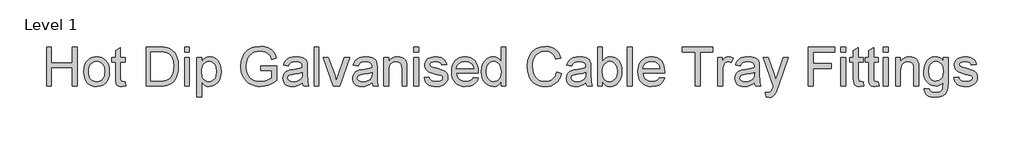
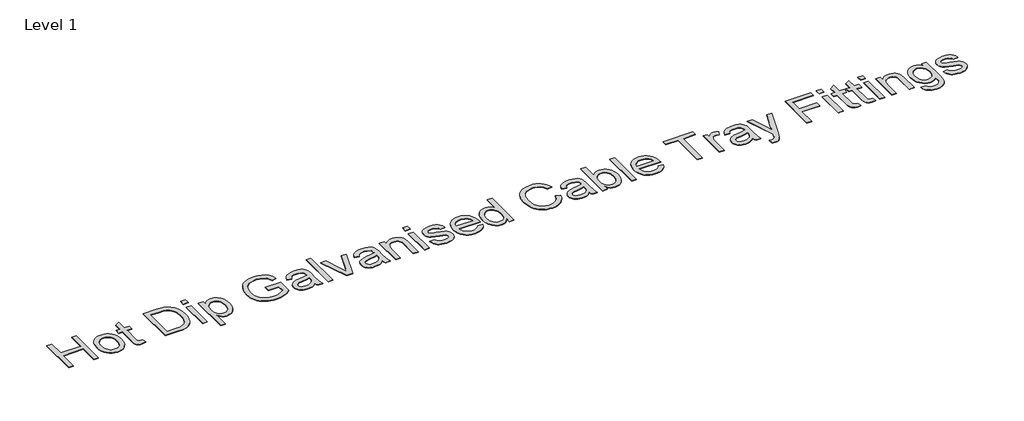
# One storey, part 12 of 15: 1 proxy.
"""IFC4 building model written with IfcOpenShell, lengths in millimetres."""

from ifc_helpers import new_model, si_unit, origin, origin_with_axes, place, context, project, spatial, polyline, outline, extrude, element, save

model = new_model("IFC4")

# Units and contexts
model_context = context("Model", 3, world=origin())
ifc_project = project(units=[si_unit("LENGTHUNIT", "METRE", prefix="MILLI")], contexts=[model_context])

# Site, building, storey
site = spatial("IfcSite", under=ifc_project)
building = spatial("IfcBuilding", under=site)
storey = spatial("IfcBuildingStorey", under=building, Name="Level 1", Elevation=0.0)

# Proxy
placement = place(None, origin())
element("IfcBuildingElementProxy", 1, Name="400mm", ObjectType="400mm", at=placement, inside=storey, context=model_context, shape_type="SweptSolid", body=[
    extrude(outline(polyline([(-12107.7580589, -27477.287492), (-12107.7580589, -27085.5299162), (-12058.788362, -27085.5299162), (-12058.788362, -27244.6814314), (-11850.6671498, -27244.6814314), (-11850.6671498, -27085.5299162), (-11801.6974529, -27085.5299162), (-11801.6974529, -27477.287492), (-11850.6671498, -27477.287492), (-11850.6671498, -27293.6511283), (-12058.788362, -27293.6511283), (-12058.788362, -27477.287492), (-12107.7580589, -27477.287492)])), origin_with_axes(), (0.0, 0.0, 1.0), 5.0),
    extrude(outline(polyline([(-11734.3641195, -27333.4390071), (-11731.715978, -27296.179715), (-11723.7715532, -27264.0732401), (-11710.5308454, -27237.1195824), (-11691.9938544, -27215.318742), (-11673.3313307, -27201.3846155), (-11652.7320173, -27191.4316681), (-11630.195914, -27185.4598996), (-11605.723021, -27183.4693101), (-11578.706597, -27185.8932862), (-11554.2785371, -27193.1652145), (-11532.4388414, -27205.2850949), (-11513.1875097, -27222.2529276), (-11497.4750038, -27243.4948487), (-11486.2517853, -27268.4369948), (-11479.5178541, -27297.0793658), (-11477.2732104, -27329.4219617), (-11481.2424339, -27378.8937893), (-11493.1501044, -27416.5535904), (-11512.6495125, -27444.7565971), (-11539.3939491, -27465.8580412), (-11571.1596924, -27479.0210384), (-11605.723021, -27483.4087041), (-11633.1339763, -27480.9936946), (-11657.7891906, -27473.7486662), (-11679.6886638, -27461.6736189), (-11698.832396, -27444.7685526), (-11714.3775251, -27423.3203992), (-11725.4811887, -27397.6160904), (-11732.1433868, -27367.6556264), (-11734.3641195, -27333.4390071)]), holes=[polyline([(-11685.3944226, -27333.3433632), (-11683.9776967, -27357.0959378), (-11679.7275192, -27377.6623736), (-11672.6438899, -27395.0426707), (-11662.7268089, -27409.2368291), (-11650.6637171, -27420.262782), (-11637.1420551, -27428.1384626), (-11622.1618231, -27432.863871), (-11605.723021, -27434.4390071), (-11589.3679074, -27432.8549044), (-11574.4474529, -27428.1025961), (-11560.9616574, -27420.1820824), (-11548.910521, -27409.0933632), (-11538.9934401, -27394.7587278), (-11531.9098108, -27377.1004654), (-11527.6596333, -27356.1185762), (-11526.2429074, -27331.8130601), (-11527.6685999, -27308.8136816), (-11531.9456773, -27288.7852429), (-11539.0741397, -27271.7277441), (-11549.053987, -27257.6411851), (-11561.1499564, -27246.6152323), (-11574.6267853, -27238.7395516), (-11589.4844735, -27234.0141432), (-11605.723021, -27232.4390071), (-11622.1618231, -27234.0081655), (-11637.1420551, -27238.7156406), (-11650.6637171, -27246.5614325), (-11662.7268089, -27257.5455412), (-11672.6438899, -27271.6978554), (-11679.7275192, -27289.0482637), (-11683.9776967, -27309.5967663), (-11685.3944226, -27333.3433632)])]), origin_with_axes(), (0.0, 0.0, 1.0), 5.0),
    extrude(outline(polyline([(-11318.1216953, -27436.4475298), (-11312.0004832, -27478.7221511), (-11348.632112, -27483.4087041), (-11372.1366101, -27481.3762704), (-11389.663362, -27475.2789692), (-11402.0492521, -27465.8819522), (-11410.131165, -27453.9503708), (-11414.5786082, -27433.4586567), (-11416.0610892, -27398.381242), (-11416.0610892, -27238.5602192), (-11452.788362, -27238.5602192), (-11452.788362, -27189.5905223), (-11416.0610892, -27189.5905223), (-11416.0610892, -27119.6748026), (-11367.0913923, -27090.8859768), (-11367.0913923, -27189.5905223), (-11318.1216953, -27189.5905223), (-11318.1216953, -27238.5602192), (-11367.0913923, -27238.5602192), (-11367.0913923, -27396.9465829), (-11364.5090059, -27422.1965829), (-11356.1401612, -27431.1392912), (-11339.4502938, -27434.4390071), (-11318.1216953, -27436.4475298)])), origin_with_axes(), (0.0, 0.0, 1.0), 5.0),
    extrude(outline(polyline([(-11110.0004832, -27477.287492), (-11110.0004832, -27085.5299162), (-10974.8555968, -27085.5299162), (-10934.4699434, -27086.9406643), (-10904.9398771, -27091.1729086), (-10873.7121309, -27102.0524067), (-10847.3622256, -27119.1965829), (-10820.2710798, -27149.037492), (-10800.974915, -27186.1473404), (-10789.4259093, -27229.8087988), (-10785.5762407, -27279.3045374), (-10788.1825381, -27321.3520043), (-10796.0014301, -27358.3542533), (-10807.9091006, -27389.8569759), (-10822.7817332, -27415.4058632), (-10839.9019983, -27435.5747789), (-10858.5525665, -27450.9375867), (-10879.9648534, -27462.3311709), (-10905.3702748, -27470.5924162), (-10934.8166527, -27475.613723), (-10968.3518089, -27477.287492), (-11110.0004832, -27477.287492)]), holes=[polyline([(-11061.0307862, -27428.317795), (-10974.3773771, -27428.317795), (-10938.5348108, -27426.5483821), (-10911.348021, -27421.2401435), (-10890.832396, -27412.7039219), (-10875.0033241, -27401.2505601), (-10857.9906584, -27380.0534721), (-10845.210237, -27352.615617), (-10837.2120125, -27318.8174399), (-10834.5459377, -27278.5393859), (-10839.7704879, -27225.1700677), (-10846.3011756, -27203.7219143), (-10855.4441385, -27185.7647647), (-10878.6019273, -27158.6975298), (-10906.2788923, -27142.3424162), (-10934.4460324, -27136.4603139), (-10975.7163923, -27134.4996132), (-11061.0307862, -27134.4996132), (-11061.0307862, -27428.317795)])]), origin_with_axes(), (0.0, 0.0, 1.0), 5.0),
    extrude(outline(polyline([(-10724.3641195, -27134.4996132), (-10724.3641195, -27085.5299162), (-10675.3944226, -27085.5299162), (-10675.3944226, -27134.4996132), (-10724.3641195, -27134.4996132)])), origin_with_axes(), (0.0, 0.0, 1.0), 5.0),
    extrude(outline(polyline([(-10724.3641195, -27477.287492), (-10724.3641195, -27189.5905223), (-10675.3944226, -27189.5905223), (-10675.3944226, -27477.287492), (-10724.3641195, -27477.287492)])), origin_with_axes(), (0.0, 0.0, 1.0), 5.0),
    extrude(outline(polyline([(-10601.9398771, -27587.4693101), (-10601.9398771, -27189.5905223), (-10552.9701801, -27189.5905223), (-10552.9701801, -27237.6037798), (-10536.9976423, -27213.9199494), (-10519.1122256, -27197.0029276), (-10498.2618468, -27186.8527145), (-10473.3944226, -27183.4693101), (-10440.2777085, -27188.2036851), (-10411.3215059, -27202.4068101), (-10387.7452748, -27225.2178897), (-10370.7684756, -27255.7761283), (-10360.5106631, -27291.8578045), (-10357.0913923, -27331.2391965), (-10360.9530163, -27373.1192865), (-10372.5378885, -27410.5758442), (-10391.4753885, -27441.7079465), (-10417.394896, -27464.61467), (-10447.5825144, -27478.7101956), (-10479.3243468, -27483.4087041), (-10501.836539, -27480.2644096), (-10521.9337218, -27470.8315261), (-10539.1376754, -27456.5925346), (-10552.9701801, -27439.0299162), (-10552.9701801, -27587.4693101), (-10601.9398771, -27587.4693101)]), holes=[polyline([(-10552.9701801, -27335.7344617), (-10547.673897, -27379.6350298), (-10541.0535431, -27396.6357401), (-10531.7850476, -27410.3367344), (-10508.3403269, -27428.4134389), (-10494.9232755, -27432.9326151), (-10480.3764301, -27434.4390071), (-10465.6203636, -27432.8788154), (-10451.9582246, -27428.1982401), (-10427.9157294, -27409.4759389), (-10418.3543243, -27395.2787917), (-10411.5247493, -27377.6504181), (-10406.0610892, -27332.099992), (-10411.3932389, -27288.4385336), (-10418.0584259, -27271.306313), (-10427.3896877, -27257.3064314), (-10450.7985419, -27238.6558632), (-10464.0631607, -27233.9932211), (-10478.3679074, -27232.4390071), (-10492.627821, -27234.0918539), (-10506.0448724, -27239.0503944), (-10530.3503885, -27258.8845564), (-10540.2465473, -27273.6047564), (-10547.3152322, -27291.3198073), (-10551.5564432, -27312.0297091), (-10552.9701801, -27335.7344617)])]), origin_with_axes(), (0.0, 0.0, 1.0), 5.0),
    extrude(outline(polyline([(-9959.2126044, -27324.2571889), (-9959.2126044, -27275.287492), (-9800.0610892, -27275.287492), (-9800.0610892, -27421.7183632), (-9838.7371072, -27448.6182211), (-9878.6325854, -27467.9143859), (-9919.6518799, -27479.5351245), (-9961.6993468, -27483.4087041), (-9989.8276316, -27481.8694344), (-10016.6348345, -27477.2516255), (-10042.1209555, -27469.5552772), (-10066.2859945, -27458.7803897), (-10088.3498558, -27445.088362), (-10107.5324434, -27428.6405933), (-10123.8337573, -27409.4370836), (-10137.2537976, -27387.4778329), (-10147.7357755, -27363.4652263), (-10155.2229027, -27338.1016492), (-10161.2126044, -27283.3215829), (-10155.2468137, -27228.1469853), (-10137.3494415, -27176.8220564), (-10124.1117225, -27153.7091006), (-10108.2617284, -27133.7703281), (-10089.7994593, -27117.0057389), (-10068.724915, -27103.4153329), (-10045.4953932, -27092.9124328), (-10020.5681915, -27085.4103613), (-9965.6207483, -27079.4087041), (-9925.2829169, -27082.8877524), (-9889.0099529, -27093.3248973), (-9858.4636697, -27109.9669427), (-9835.3058809, -27132.0606927), (-9818.1736603, -27160.6701861), (-9805.7040817, -27196.8594617), (-9850.848021, -27209.5801056), (-9860.9265012, -27183.7681975), (-9873.1808809, -27164.2927003), (-9889.3925286, -27149.6113556), (-9911.3428127, -27138.1819048), (-9937.5133856, -27130.829277), (-9966.3858998, -27128.3784011), (-10000.1840769, -27131.0205649), (-10029.0805021, -27138.9470564), (-10052.967576, -27151.1655696), (-10071.7376991, -27166.6837988), (-10086.1440674, -27184.7007259), (-10096.9398771, -27204.4153329), (-10108.4171498, -27241.3817154), (-10112.2429074, -27281.3130601), (-10107.6400428, -27328.142724), (-10093.8314491, -27366.6752761), (-10071.2355684, -27396.6357401), (-10040.270843, -27417.7491397), (-10004.0337455, -27430.2665403), (-9965.6207483, -27434.4390071), (-9931.7030163, -27431.2947126), (-9898.6221688, -27421.8618291), (-9869.8931205, -27408.8662088), (-9849.0307862, -27395.0337041), (-9849.0307862, -27324.2571889), (-9959.2126044, -27324.2571889)])), origin_with_axes(), (0.0, 0.0, 1.0), 5.0),
    extrude(outline(polyline([(-9542.9701801, -27440.5602192), (-9566.3670788, -27460.6215355), (-9590.457396, -27473.7486662), (-9615.7910845, -27480.9936946), (-9642.9180968, -27483.4087041), (-9664.7219261, -27481.9561118), (-9683.8417474, -27477.5983348), (-9700.2775606, -27470.3353731), (-9714.0293657, -27460.1672268), (-9724.8879417, -27447.7394924), (-9732.6440674, -27433.6977666), (-9737.2977429, -27418.0420493), (-9738.848968, -27400.7723404), (-9736.5056915, -27380.4719143), (-9729.475862, -27362.036545), (-9718.6322303, -27346.255295), (-9704.8475476, -27333.9172268), (-9670.5591953, -27317.849045), (-9628.1889301, -27310.4844617), (-9578.1193279, -27302.7373026), (-9543.257112, -27293.6511283), (-9542.9701801, -27282.7477192), (-9546.341629, -27260.8930791), (-9556.4559756, -27246.5943101), (-9579.0757673, -27235.9778329), (-9610.5904453, -27232.4390071), (-9639.7618468, -27234.7942391), (-9660.1340059, -27241.8599351), (-9674.0262881, -27254.9272884), (-9683.7580589, -27275.287492), (-9732.7277559, -27269.1662798), (-9724.2274008, -27242.3859768), (-9711.5426233, -27221.3443101), (-9693.4898298, -27205.2522173), (-9668.8854264, -27193.3206359), (-9638.7934519, -27185.9321416), (-9604.2779453, -27183.4693101), (-9571.1731868, -27185.6452098), (-9544.9308809, -27192.1729086), (-9525.1445409, -27201.9883679), (-9511.4076801, -27214.0275488), (-9502.2975949, -27228.9121369), (-9496.3915817, -27247.2638177), (-9494.0004832, -27290.1123026), (-9494.0004832, -27351.037492), (-9491.5137407, -27436.1127761), (-9481.7580589, -27477.287492), (-9530.7277559, -27477.287492), (-9538.5705589, -27460.2628708), (-9542.9701801, -27440.5602192)]), holes=[polyline([(-9542.9701801, -27342.6208253), (-9575.8716953, -27350.7744711), (-9621.9720741, -27357.6369238), (-9664.1032294, -27365.5753708), (-9675.0664159, -27371.0031643), (-9683.1841953, -27378.4873026), (-9688.2055021, -27387.4539219), (-9689.879271, -27397.3291586), (-9686.2328459, -27411.8909484), (-9675.2935703, -27423.8225298), (-9657.3005542, -27431.7848878), (-9632.4929074, -27434.4390071), (-9606.1908241, -27431.5099115), (-9582.9493468, -27422.7226245), (-9564.1074907, -27409.7748262), (-9551.004271, -27394.3641965), (-9545.1939017, -27378.4873026), (-9543.257112, -27356.4891965), (-9542.9701801, -27342.6208253)])]), origin_with_axes(), (0.0, 0.0, 1.0), 5.0),
    extrude(outline(polyline([(-9426.6671498, -27477.287492), (-9426.6671498, -27085.5299162), (-9377.6974529, -27085.5299162), (-9377.6974529, -27477.287492), (-9426.6671498, -27477.287492)])), origin_with_axes(), (0.0, 0.0, 1.0), 5.0),
    extrude(outline(polyline([(-9233.6576801, -27477.287492), (-9334.848968, -27189.5905223), (-9283.0099529, -27189.5905223), (-9221.7021877, -27361.9409011), (-9203.2429074, -27419.9011283), (-9185.1662029, -27365.192795), (-9123.475862, -27189.5905223), (-9071.6368468, -27189.5905223), (-9171.5847635, -27477.287492), (-9233.6576801, -27477.287492)])), origin_with_axes(), (0.0, 0.0, 1.0), 5.0),
    extrude(outline(polyline([(-8845.1519983, -27440.5602192), (-8868.548897, -27460.6215355), (-8892.6392142, -27473.7486662), (-8917.9729027, -27480.9936946), (-8945.099915, -27483.4087041), (-8966.9037443, -27481.9561118), (-8986.0235656, -27477.5983348), (-9002.4593788, -27470.3353731), (-9016.2111839, -27460.1672268), (-9027.0697599, -27447.7394924), (-9034.8258856, -27433.6977666), (-9039.4795611, -27418.0420493), (-9041.0307862, -27400.7723404), (-9038.6875097, -27380.4719143), (-9031.6576801, -27362.036545), (-9020.8140485, -27346.255295), (-9007.0293657, -27333.9172268), (-8972.7410135, -27317.849045), (-8930.3707483, -27310.4844617), (-8880.301146, -27302.7373026), (-8845.4389301, -27293.6511283), (-8845.1519983, -27282.7477192), (-8848.5234472, -27260.8930791), (-8858.6377938, -27246.5943101), (-8881.2575854, -27235.9778329), (-8912.7722635, -27232.4390071), (-8941.943665, -27234.7942391), (-8962.3158241, -27241.8599351), (-8976.2081063, -27254.9272884), (-8985.9398771, -27275.287492), (-9034.9095741, -27269.1662798), (-9026.409219, -27242.3859768), (-9013.7244415, -27221.3443101), (-8995.6716479, -27205.2522173), (-8971.0672445, -27193.3206359), (-8940.9752701, -27185.9321416), (-8906.4597635, -27183.4693101), (-8873.3550049, -27185.6452098), (-8847.1126991, -27192.1729086), (-8827.3263591, -27201.9883679), (-8813.5894983, -27214.0275488), (-8804.4794131, -27228.9121369), (-8798.5733998, -27247.2638177), (-8796.1823014, -27290.1123026), (-8796.1823014, -27351.037492), (-8793.6955589, -27436.1127761), (-8783.9398771, -27477.287492), (-8832.9095741, -27477.287492), (-8840.7523771, -27460.2628708), (-8845.1519983, -27440.5602192)]), holes=[polyline([(-8845.1519983, -27342.6208253), (-8878.0535135, -27350.7744711), (-8924.1538923, -27357.6369238), (-8966.2850476, -27365.5753708), (-8977.2482341, -27371.0031643), (-8985.3660135, -27378.4873026), (-8990.3873203, -27387.4539219), (-8992.0610892, -27397.3291586), (-8988.414664, -27411.8909484), (-8977.4753885, -27423.8225298), (-8959.4823724, -27431.7848878), (-8934.6747256, -27434.4390071), (-8908.3726423, -27431.5099115), (-8885.131165, -27422.7226245), (-8866.2893089, -27409.7748262), (-8853.1860892, -27394.3641965), (-8847.3757199, -27378.4873026), (-8845.4389301, -27356.4891965), (-8845.1519983, -27342.6208253)])]), origin_with_axes(), (0.0, 0.0, 1.0), 5.0),
    extrude(outline(polyline([(-8728.848968, -27477.287492), (-8728.848968, -27189.5905223), (-8679.879271, -27189.5905223), (-8679.879271, -27229.7609768), (-8662.8666053, -27209.5083726), (-8642.4346688, -27195.0422268), (-8618.5834614, -27186.3625393), (-8591.3129832, -27183.4693101), (-8567.174844, -27185.8006312), (-8545.0691385, -27192.7945942), (-8526.6337692, -27203.5784484), (-8513.5066385, -27217.2794427), (-8504.5997966, -27233.8617107), (-8498.8252938, -27253.2893859), (-8496.2429074, -27300.6331359), (-8496.2429074, -27477.287492), (-8545.2126044, -27477.287492), (-8545.2126044, -27307.2325677), (-8546.6233525, -27281.9108348), (-8550.8555968, -27263.9058632), (-8558.6625334, -27251.0058869), (-8570.7973582, -27240.9991397), (-8586.3514538, -27234.5790403), (-8604.4162029, -27232.4390071), (-8633.0974292, -27237.2451151), (-8657.5464112, -27251.6634389), (-8667.3170374, -27263.4336212), (-8674.2960561, -27279.5197363), (-8678.4834673, -27299.9217841), (-8679.879271, -27324.6397647), (-8679.879271, -27477.287492), (-8728.848968, -27477.287492)])), origin_with_axes(), (0.0, 0.0, 1.0), 5.0),
    extrude(outline(polyline([(-8428.9095741, -27477.287492), (-8428.9095741, -27189.5905223), (-8379.9398771, -27189.5905223), (-8379.9398771, -27477.287492), (-8428.9095741, -27477.287492)])), origin_with_axes(), (0.0, 0.0, 1.0), 5.0),
    extrude(outline(polyline([(-8428.9095741, -27134.4996132), (-8428.9095741, -27085.5299162), (-8379.9398771, -27085.5299162), (-8379.9398771, -27134.4996132), (-8428.9095741, -27134.4996132)])), origin_with_axes(), (0.0, 0.0, 1.0), 5.0),
    extrude(outline(polyline([(-8324.848968, -27391.5905223), (-8275.879271, -27385.4693101), (-8268.1560229, -27406.4153329), (-8253.2116574, -27421.8140071), (-8230.9505305, -27431.2827571), (-8201.2769983, -27434.4390071), (-8171.9621309, -27431.5457779), (-8151.350862, -27422.8660904), (-8139.1562597, -27410.2889124), (-8135.0913923, -27395.7032117), (-8139.1801707, -27383.2216776), (-8151.4465059, -27373.7051056), (-8201.850862, -27359.7410904), (-8275.5923392, -27335.7822836), (-8294.2548629, -27323.7431028), (-8307.7765248, -27307.8064314), (-8315.9899481, -27288.9884863), (-8318.7277559, -27268.3054844), (-8316.5279453, -27249.3321179), (-8309.9285135, -27231.8173215), (-8299.5272351, -27216.4545137), (-8285.9218847, -27203.9371132), (-8254.7897824, -27189.4470564), (-8212.6586271, -27183.4693101), (-8180.7852843, -27185.8723641), (-8153.0724529, -27193.0815261), (-8130.787415, -27204.3914219), (-8115.1974529, -27219.0966776), (-8104.8679074, -27238.2852429), (-8098.3641195, -27263.0450677), (-8147.3338165, -27269.1662798), (-8153.5148061, -27253.7556501), (-8165.7452748, -27242.146867), (-8184.1447777, -27234.8659721), (-8208.8328695, -27232.4390071), (-8236.9521877, -27234.7583726), (-8255.6983998, -27241.7164692), (-8266.2431442, -27251.7590829), (-8269.7580589, -27263.3319995), (-8263.9237786, -27277.5829465), (-8245.6557862, -27288.3907117), (-8203.4768089, -27298.8159011), (-8131.6003885, -27321.8660904), (-8112.6150665, -27332.8890545), (-8098.2206536, -27347.9768859), (-8089.1464349, -27367.1774067), (-8086.1216953, -27390.5384389), (-8089.6724765, -27414.6885336), (-8100.3248203, -27437.4039692), (-8117.6722398, -27456.9033774), (-8141.3082483, -27471.4053897), (-8169.8579642, -27480.4078755), (-8201.9465059, -27483.4087041), (-8228.3023889, -27481.9620895), (-8251.3226896, -27477.6222458), (-8271.0074079, -27470.3891728), (-8287.3565438, -27460.2628708), (-8300.7108288, -27447.2911615), (-8311.4109945, -27431.521867), (-8319.4570409, -27412.9549872), (-8324.848968, -27391.5905223)])), origin_with_axes(), (0.0, 0.0, 1.0), 5.0),
    extrude(outline(polyline([(-7829.6046498, -27391.5905223), (-7781.5913923, -27397.7117344), (-7788.9529867, -27416.942144), (-7798.8909898, -27433.8890545), (-7811.4054015, -27448.5524659), (-7826.4962218, -27460.9323783), (-7844.0080293, -27470.7657708), (-7863.7854027, -27477.7896226), (-7910.1368468, -27483.4087041), (-7940.5217308, -27480.984728), (-7967.5949434, -27473.7127997), (-7991.3564846, -27461.5929193), (-8011.8063544, -27444.6250867), (-8028.2511342, -27423.2815438), (-8039.9974055, -27398.0345327), (-8047.0451683, -27368.8840533), (-8049.3944226, -27335.8301056), (-8047.0212573, -27301.6553305), (-8039.9017616, -27271.5334673), (-8028.0359353, -27245.4645161), (-8011.4237786, -27223.4484768), (-7991.0277085, -27205.9575914), (-7967.8101423, -27193.4641018), (-7941.7710798, -27185.9680081), (-7912.910521, -27183.4693101), (-7884.9795019, -27185.9620303), (-7859.7205353, -27193.4401908), (-7837.1336212, -27205.9037917), (-7817.2187597, -27223.3528329), (-7800.9622789, -27245.3210502), (-7789.3505068, -27271.3421795), (-7782.3834436, -27301.4162207), (-7780.0610892, -27335.5431738), (-7780.348021, -27348.7420374), (-8000.4247256, -27348.7420374), (-7997.588285, -27368.2832898), (-7991.9482815, -27385.3975772), (-7983.5047149, -27400.0848996), (-7972.2575854, -27412.3452571), (-7943.8393799, -27428.9155696), (-7909.1804074, -27434.4390071), (-7883.1174339, -27431.8805317), (-7861.1671498, -27424.2051056), (-7843.3295551, -27410.934509), (-7829.6046498, -27391.5905223)]), holes=[polyline([(-8000.4247256, -27299.7723404), (-7829.0307862, -27299.7723404), (-7835.654129, -27273.9006548), (-7848.6377938, -27255.3935526), (-7861.9920788, -27245.3509389), (-7877.1875097, -27238.1776435), (-7913.1018089, -27232.4390071), (-7946.1109235, -27237.0179607), (-7973.4053127, -27250.7548215), (-7992.3786792, -27272.1671084), (-8000.4247256, -27299.7723404)])]), origin_with_axes(), (0.0, 0.0, 1.0), 5.0),
    extrude(outline(polyline([(-7553.5762407, -27477.287492), (-7553.5762407, -27431.0914692), (-7568.2276967, -27453.9802595), (-7585.9756252, -27470.3293954), (-7606.8200263, -27480.1388769), (-7630.7608998, -27483.4087041), (-7662.4190438, -27478.6743291), (-7691.3991574, -27464.4712041), (-7715.9318279, -27441.791635), (-7734.2476423, -27411.6279276), (-7745.653182, -27375.1995422), (-7749.4550286, -27333.7259389), (-7745.9520693, -27292.7664219), (-7735.4431915, -27255.7761283), (-7717.9403506, -27224.8592249), (-7693.4555021, -27202.1198783), (-7663.8417474, -27188.1319522), (-7630.9521877, -27183.4693101), (-7606.9933809, -27186.8048925), (-7585.8082483, -27196.8116397), (-7567.8510987, -27212.1505365), (-7553.5762407, -27231.4825677), (-7553.5762407, -27085.5299162), (-7504.6065438, -27085.5299162), (-7504.6065438, -27477.287492), (-7553.5762407, -27477.287492)]), holes=[polyline([(-7700.4853317, -27333.5346511), (-7694.9618942, -27377.8297505), (-7688.0575973, -27395.1801589), (-7678.3915817, -27409.332473), (-7654.3132199, -27428.1623736), (-7640.7855802, -27432.8698487), (-7626.2656347, -27434.4390071), (-7598.2300049, -27428.4493054), (-7574.7613733, -27410.4802003), (-7565.4928778, -27396.919683), (-7558.8725239, -27380.196938), (-7553.5762407, -27337.2647647), (-7558.9681678, -27290.3275014), (-7565.7080767, -27272.2567746), (-7575.1439491, -27257.7846511), (-7586.5524777, -27246.6959318), (-7599.2103553, -27238.7754181), (-7613.1175819, -27234.0231099), (-7628.2741574, -27232.4390071), (-7643.0810348, -27233.9603435), (-7656.6086745, -27238.5243528), (-7668.8570764, -27246.1310348), (-7679.8262407, -27256.7803897), (-7688.864593, -27270.7055495), (-7695.3205589, -27288.1396463), (-7700.4853317, -27333.5346511)])]), origin_with_axes(), (0.0, 0.0, 1.0), 5.0),
    extrude(outline(polyline([(-6996.5459377, -27338.0299162), (-6947.5762407, -27350.6549162), (-6957.2661674, -27381.1085443), (-6970.1721214, -27407.7184815), (-6986.294103, -27430.484728), (-7005.632112, -27449.4072836), (-7027.7497729, -27464.2829051), (-7052.2107104, -27474.908349), (-7079.0149245, -27481.2836153), (-7108.162415, -27483.4087041), (-7138.0242462, -27481.8006904), (-7164.9629595, -27476.9766492), (-7188.9785549, -27468.9365805), (-7210.0710324, -27457.6804844), (-7228.5303127, -27443.3757377), (-7244.6463165, -27426.1897173), (-7258.4190438, -27406.1224233), (-7269.8484945, -27383.1738556), (-7285.2352133, -27332.6021226), (-7290.3641195, -27278.443742), (-7284.5657057, -27221.3203992), (-7277.3176884, -27195.6818457), (-7267.1704642, -27171.9920374), (-7254.3511875, -27150.6425168), (-7239.0870125, -27132.0248262), (-7221.3779394, -27116.1389657), (-7201.223968, -27102.9849351), (-7156.3191385, -27085.3027619), (-7107.1103317, -27079.4087041), (-7079.1016018, -27081.3156051), (-7053.4182152, -27087.0363083), (-7030.0601719, -27096.5708135), (-7009.0274718, -27109.9191208), (-6990.6668243, -27126.7285431), (-6975.3249387, -27146.6463935), (-6963.0018148, -27169.6726719), (-6953.6974529, -27195.8073783), (-7002.6671498, -27207.4759389), (-7019.6439491, -27171.7648831), (-7042.8376044, -27147.2680791), (-7072.5350476, -27133.1008206), (-7109.0232104, -27128.3784011), (-7151.0826328, -27133.6149067), (-7185.6340059, -27149.3244238), (-7211.8524008, -27173.8570942), (-7228.9128885, -27205.5630601), (-7238.274039, -27241.4056264), (-7241.3944226, -27278.348098), (-7237.7001754, -27323.5876814), (-7226.6174339, -27362.7060526), (-7207.7277559, -27394.2087751), (-7180.6126991, -27416.6014124), (-7148.1057152, -27429.9796084), (-7113.0402559, -27434.4390071), (-7091.7505128, -27432.9206596), (-7072.1644273, -27428.365617), (-7054.2819995, -27420.7738793), (-7038.1032294, -27410.1454465), (-7024.0106927, -27396.5281406), (-7012.3869652, -27379.9697836), (-7003.2320469, -27360.4703755), (-6996.5459377, -27338.0299162)])), origin_with_axes(), (0.0, 0.0, 1.0), 5.0),
    extrude(outline(polyline([(-6702.7277559, -27440.5602192), (-6726.1246546, -27460.6215355), (-6750.2149718, -27473.7486662), (-6775.5486603, -27480.9936946), (-6802.6756726, -27483.4087041), (-6824.4795019, -27481.9561118), (-6843.5993231, -27477.5983348), (-6860.0351363, -27470.3353731), (-6873.7869415, -27460.1672268), (-6884.6455175, -27447.7394924), (-6892.4016432, -27433.6977666), (-6897.0553186, -27418.0420493), (-6898.6065438, -27400.7723404), (-6896.2632673, -27380.4719143), (-6889.2334377, -27362.036545), (-6878.3898061, -27346.255295), (-6864.6051233, -27333.9172268), (-6830.316771, -27317.849045), (-6787.9465059, -27310.4844617), (-6737.8769036, -27302.7373026), (-6703.0146877, -27293.6511283), (-6702.7277559, -27282.7477192), (-6706.0992048, -27260.8930791), (-6716.2135514, -27246.5943101), (-6738.833343, -27235.9778329), (-6770.348021, -27232.4390071), (-6799.5194226, -27234.7942391), (-6819.8915817, -27241.8599351), (-6833.7838639, -27254.9272884), (-6843.5156347, -27275.287492), (-6892.4853317, -27269.1662798), (-6883.9849765, -27242.3859768), (-6871.3001991, -27221.3443101), (-6853.2474055, -27205.2522173), (-6828.6430021, -27193.3206359), (-6798.5510277, -27185.9321416), (-6764.035521, -27183.4693101), (-6730.9307625, -27185.6452098), (-6704.6884567, -27192.1729086), (-6684.9021167, -27201.9883679), (-6671.1652559, -27214.0275488), (-6662.0551707, -27228.9121369), (-6656.1491574, -27247.2638177), (-6653.7580589, -27290.1123026), (-6653.7580589, -27351.037492), (-6651.2713165, -27436.1127761), (-6641.5156347, -27477.287492), (-6690.4853317, -27477.287492), (-6698.3281347, -27460.2628708), (-6702.7277559, -27440.5602192)]), holes=[polyline([(-6702.7277559, -27342.6208253), (-6735.629271, -27350.7744711), (-6781.7296498, -27357.6369238), (-6823.8608051, -27365.5753708), (-6834.8239917, -27371.0031643), (-6842.941771, -27378.4873026), (-6847.9630779, -27387.4539219), (-6849.6368468, -27397.3291586), (-6845.9904216, -27411.8909484), (-6835.051146, -27423.8225298), (-6817.0581299, -27431.7848878), (-6792.2504832, -27434.4390071), (-6765.9483998, -27431.5099115), (-6742.7069226, -27422.7226245), (-6723.8650665, -27409.7748262), (-6710.7618468, -27394.3641965), (-6704.9514775, -27378.4873026), (-6703.0146877, -27356.4891965), (-6702.7277559, -27342.6208253)])]), origin_with_axes(), (0.0, 0.0, 1.0), 5.0),
    extrude(outline(polyline([(-6537.4550286, -27477.287492), (-6586.4247256, -27477.287492), (-6586.4247256, -27085.5299162), (-6537.4550286, -27085.5299162), (-6537.4550286, -27230.8130601), (-6521.3509803, -27210.1001695), (-6503.1666764, -27195.3052476), (-6482.9021167, -27186.4282945), (-6460.5573014, -27183.4693101), (-6435.3312123, -27186.135385), (-6411.4919604, -27194.1336094), (-6390.4024718, -27206.9618528), (-6373.4256726, -27224.1179844), (-6360.1192095, -27245.4346274), (-6350.0407294, -27270.7444048), (-6343.6923629, -27298.9952334), (-6341.5762407, -27329.1350298), (-6343.7670847, -27363.9135573), (-6350.3396167, -27394.5076624), (-6361.2938366, -27420.9173452), (-6376.6297445, -27443.1426056), (-6395.038214, -27460.7590237), (-6415.2101186, -27473.3421795), (-6437.1454583, -27480.8920729), (-6460.8442332, -27483.4087041), (-6483.9243113, -27480.1627879), (-6504.3861366, -27470.4250393), (-6522.229709, -27454.1954583), (-6537.4550286, -27431.474045), (-6537.4550286, -27477.287492)]), holes=[polyline([(-6537.4550286, -27331.4304844), (-6534.1074907, -27372.2704465), (-6524.0648771, -27399.911545), (-6512.1990509, -27415.0173097), (-6498.4083904, -27425.8071416), (-6482.6928956, -27432.2810407), (-6465.0525665, -27434.4390071), (-6450.4070883, -27432.8489266), (-6436.7897824, -27428.0786851), (-6412.6396877, -27408.9977192), (-6402.9736721, -27394.7168835), (-6396.0693752, -27377.3156643), (-6390.5459377, -27333.1520753), (-6395.8422209, -27288.3428897), (-6402.4625748, -27270.9954702), (-6411.7310703, -27257.0194995), (-6435.127969, -27238.5841302), (-6448.4852429, -27233.9752879), (-6462.9483998, -27232.4390071), (-6477.5938781, -27234.0290876), (-6491.2111839, -27238.7993291), (-6515.3612786, -27257.880295), (-6525.0272942, -27272.0176648), (-6531.9315911, -27288.9884863), (-6537.4550286, -27331.4304844)])]), origin_with_axes(), (0.0, 0.0, 1.0), 5.0),
    extrude(outline(polyline([(-6286.4853317, -27477.287492), (-6286.4853317, -27085.5299162), (-6237.5156347, -27085.5299162), (-6237.5156347, -27477.287492), (-6286.4853317, -27477.287492)])), origin_with_axes(), (0.0, 0.0, 1.0), 5.0),
    extrude(outline(polyline([(-5962.6349529, -27391.5905223), (-5914.6216953, -27397.7117344), (-5921.9832898, -27416.942144), (-5931.9212928, -27433.8890545), (-5944.4357045, -27448.5524659), (-5959.5265248, -27460.9323783), (-5977.0383324, -27470.7657708), (-5996.8157057, -27477.7896226), (-6043.1671498, -27483.4087041), (-6073.5520338, -27480.984728), (-6100.6252464, -27473.7127997), (-6124.3867876, -27461.5929193), (-6144.8366574, -27444.6250867), (-6161.2814372, -27423.2815438), (-6173.0277085, -27398.0345327), (-6180.0754713, -27368.8840533), (-6182.4247256, -27335.8301056), (-6180.0515603, -27301.6553305), (-6172.9320646, -27271.5334673), (-6161.0662384, -27245.4645161), (-6144.4540817, -27223.4484768), (-6124.0580116, -27205.9575914), (-6100.8404453, -27193.4641018), (-6074.8013828, -27185.9680081), (-6045.9408241, -27183.4693101), (-6018.0098049, -27185.9620303), (-5992.7508383, -27193.4401908), (-5970.1639242, -27205.9037917), (-5950.2490627, -27223.3528329), (-5933.9925819, -27245.3210502), (-5922.3808099, -27271.3421795), (-5915.4137467, -27301.4162207), (-5913.0913923, -27335.5431738), (-5913.3783241, -27348.7420374), (-6133.4550286, -27348.7420374), (-6130.618588, -27368.2832898), (-6124.9785845, -27385.3975772), (-6116.535018, -27400.0848996), (-6105.2878885, -27412.3452571), (-6076.869683, -27428.9155696), (-6042.2107104, -27434.4390071), (-6016.147737, -27431.8805317), (-5994.1974529, -27424.2051056), (-5976.3598582, -27410.934509), (-5962.6349529, -27391.5905223)]), holes=[polyline([(-6133.4550286, -27299.7723404), (-5962.0610892, -27299.7723404), (-5968.684432, -27273.9006548), (-5981.6680968, -27255.3935526), (-5995.0223818, -27245.3509389), (-6010.2178127, -27238.1776435), (-6046.132112, -27232.4390071), (-6079.1412265, -27237.0179607), (-6106.4356157, -27250.7548215), (-6125.4089822, -27272.1671084), (-6133.4550286, -27299.7723404)])]), origin_with_axes(), (0.0, 0.0, 1.0), 5.0),
    extrude(outline(polyline([(-5607.0307862, -27477.287492), (-5607.0307862, -27134.4996132), (-5735.5762407, -27134.4996132), (-5735.5762407, -27085.5299162), (-5429.5156347, -27085.5299162), (-5429.5156347, -27134.4996132), (-5558.0610892, -27134.4996132), (-5558.0610892, -27477.287492), (-5607.0307862, -27477.287492)])), origin_with_axes(), (0.0, 0.0, 1.0), 5.0),
    extrude(outline(polyline([(-5380.5459377, -27477.287492), (-5380.5459377, -27189.5905223), (-5337.6974529, -27189.5905223), (-5337.6974529, -27232.1520753), (-5321.8683809, -27207.4759389), (-5307.2826801, -27192.9380601), (-5292.6491574, -27185.8364976), (-5276.6766195, -27183.4693101), (-5252.287415, -27187.2472458), (-5227.5156347, -27198.5810526), (-5243.8707483, -27242.4816208), (-5261.0866574, -27234.9496605), (-5278.3025665, -27232.4390071), (-5292.9241337, -27234.8540166), (-5305.991487, -27242.099045), (-5316.5481868, -27253.6241397), (-5323.6377938, -27268.879348), (-5329.591629, -27296.2335147), (-5331.5762407, -27326.0744238), (-5331.5762407, -27477.287492), (-5380.5459377, -27477.287492)])), origin_with_axes(), (0.0, 0.0, 1.0), 5.0),
    extrude(outline(polyline([(-5013.2732104, -27440.5602192), (-5036.6701091, -27460.6215355), (-5060.7604264, -27473.7486662), (-5086.0941148, -27480.9936946), (-5113.2211271, -27483.4087041), (-5135.0249564, -27481.9561118), (-5154.1447777, -27477.5983348), (-5170.5805909, -27470.3353731), (-5184.332396, -27460.1672268), (-5195.190972, -27447.7394924), (-5202.9470978, -27433.6977666), (-5207.6007732, -27418.0420493), (-5209.1519983, -27400.7723404), (-5206.8087218, -27380.4719143), (-5199.7788923, -27362.036545), (-5188.9352606, -27346.255295), (-5175.1505779, -27333.9172268), (-5140.8622256, -27317.849045), (-5098.4919604, -27310.4844617), (-5048.4223582, -27302.7373026), (-5013.5601423, -27293.6511283), (-5013.2732104, -27282.7477192), (-5016.6446593, -27260.8930791), (-5026.7590059, -27246.5943101), (-5049.3787976, -27235.9778329), (-5080.8934756, -27232.4390071), (-5110.0648771, -27234.7942391), (-5130.4370362, -27241.8599351), (-5144.3293184, -27254.9272884), (-5154.0610892, -27275.287492), (-5203.0307862, -27269.1662798), (-5194.5304311, -27242.3859768), (-5181.8456536, -27221.3443101), (-5163.7928601, -27205.2522173), (-5139.1884567, -27193.3206359), (-5109.0964822, -27185.9321416), (-5074.5809756, -27183.4693101), (-5041.4762171, -27185.6452098), (-5015.2339112, -27192.1729086), (-4995.4475712, -27201.9883679), (-4981.7107104, -27214.0275488), (-4972.6006252, -27228.9121369), (-4966.694612, -27247.2638177), (-4964.3035135, -27290.1123026), (-4964.3035135, -27351.037492), (-4961.816771, -27436.1127761), (-4952.0610892, -27477.287492), (-5001.0307862, -27477.287492), (-5008.8735892, -27460.2628708), (-5013.2732104, -27440.5602192)]), holes=[polyline([(-5013.2732104, -27342.6208253), (-5046.1747256, -27350.7744711), (-5092.2751044, -27357.6369238), (-5134.4062597, -27365.5753708), (-5145.3694462, -27371.0031643), (-5153.4872256, -27378.4873026), (-5158.5085324, -27387.4539219), (-5160.1823014, -27397.3291586), (-5156.5358762, -27411.8909484), (-5145.5966006, -27423.8225298), (-5127.6035845, -27431.7848878), (-5102.7959377, -27434.4390071), (-5076.4938544, -27431.5099115), (-5053.2523771, -27422.7226245), (-5034.410521, -27409.7748262), (-5021.3073014, -27394.3641965), (-5015.496932, -27378.4873026), (-5013.5601423, -27356.4891965), (-5013.2732104, -27342.6208253)])]), origin_with_axes(), (0.0, 0.0, 1.0), 5.0),
    extrude(outline(polyline([(-4896.9701801, -27587.4693101), (-4903.0913923, -27540.316848), (-4878.223968, -27544.6208253), (-4865.1446593, -27543.2698547), (-4854.9824907, -27539.2169427), (-4840.7315438, -27524.1530223), (-4827.3413923, -27488.0952571), (-4823.5156347, -27476.2354086), (-4927.5762407, -27189.5905223), (-4875.9285135, -27189.5905223), (-4820.7419604, -27349.3159011), (-4801.5175286, -27413.2060526), (-4782.2930968, -27356.7761283), (-4725.5762407, -27189.5905223), (-4674.3110892, -27189.5905223), (-4774.4502938, -27484.1738556), (-4800.4654453, -27548.0640071), (-4813.7838639, -27568.4600772), (-4828.8716953, -27582.5914692), (-4846.3984472, -27590.840759), (-4867.0336271, -27593.5905223), (-4896.9701801, -27587.4693101)])), origin_with_axes(), (0.0, 0.0, 1.0), 5.0),
    extrude(outline(polyline([(-4474.6065438, -27477.287492), (-4474.6065438, -27085.5299162), (-4211.3944226, -27085.5299162), (-4211.3944226, -27134.4996132), (-4425.6368468, -27134.4996132), (-4425.6368468, -27250.8026435), (-4242.0004832, -27250.8026435), (-4242.0004832, -27299.7723404), (-4425.6368468, -27299.7723404), (-4425.6368468, -27477.287492), (-4474.6065438, -27477.287492)])), origin_with_axes(), (0.0, 0.0, 1.0), 5.0),
    extrude(outline(polyline([(-4150.1823014, -27477.287492), (-4150.1823014, -27189.5905223), (-4101.2126044, -27189.5905223), (-4101.2126044, -27477.287492), (-4150.1823014, -27477.287492)])), origin_with_axes(), (0.0, 0.0, 1.0), 5.0),
    extrude(outline(polyline([(-4150.1823014, -27134.4996132), (-4150.1823014, -27085.5299162), (-4101.2126044, -27085.5299162), (-4101.2126044, -27134.4996132), (-4150.1823014, -27134.4996132)])), origin_with_axes(), (0.0, 0.0, 1.0), 5.0),
    extrude(outline(polyline([(-3923.6974529, -27436.4475298), (-3917.5762407, -27478.7221511), (-3954.2078695, -27483.4087041), (-3977.7123676, -27481.3762704), (-3995.2391195, -27475.2789692), (-4007.6250097, -27465.8819522), (-4015.7069226, -27453.9503708), (-4020.1543657, -27433.4586567), (-4021.6368468, -27398.381242), (-4021.6368468, -27238.5602192), (-4058.3641195, -27238.5602192), (-4058.3641195, -27189.5905223), (-4021.6368468, -27189.5905223), (-4021.6368468, -27119.6748026), (-3972.6671498, -27090.8859768), (-3972.6671498, -27189.5905223), (-3923.6974529, -27189.5905223), (-3923.6974529, -27238.5602192), (-3972.6671498, -27238.5602192), (-3972.6671498, -27396.9465829), (-3970.0847635, -27422.1965829), (-3961.7159188, -27431.1392912), (-3945.0260514, -27434.4390071), (-3923.6974529, -27436.4475298)])), origin_with_axes(), (0.0, 0.0, 1.0), 5.0),
    extrude(outline(polyline([(-3770.6671498, -27436.4475298), (-3764.5459377, -27478.7221511), (-3801.1775665, -27483.4087041), (-3824.6820646, -27481.3762704), (-3842.2088165, -27475.2789692), (-3854.5947067, -27465.8819522), (-3862.6766195, -27453.9503708), (-3867.1240627, -27433.4586567), (-3868.6065438, -27398.381242), (-3868.6065438, -27238.5602192), (-3905.3338165, -27238.5602192), (-3905.3338165, -27189.5905223), (-3868.6065438, -27189.5905223), (-3868.6065438, -27119.6748026), (-3819.6368468, -27090.8859768), (-3819.6368468, -27189.5905223), (-3770.6671498, -27189.5905223), (-3770.6671498, -27238.5602192), (-3819.6368468, -27238.5602192), (-3819.6368468, -27396.9465829), (-3817.0544604, -27422.1965829), (-3808.6856157, -27431.1392912), (-3791.9957483, -27434.4390071), (-3770.6671498, -27436.4475298)])), origin_with_axes(), (0.0, 0.0, 1.0), 5.0),
    extrude(outline(polyline([(-3721.6974529, -27477.287492), (-3721.6974529, -27189.5905223), (-3672.7277559, -27189.5905223), (-3672.7277559, -27477.287492), (-3721.6974529, -27477.287492)])), origin_with_axes(), (0.0, 0.0, 1.0), 5.0),
    extrude(outline(polyline([(-3721.6974529, -27134.4996132), (-3721.6974529, -27085.5299162), (-3672.7277559, -27085.5299162), (-3672.7277559, -27134.4996132), (-3721.6974529, -27134.4996132)])), origin_with_axes(), (0.0, 0.0, 1.0), 5.0),
    extrude(outline(polyline([(-3599.2732104, -27477.287492), (-3599.2732104, -27189.5905223), (-3550.3035135, -27189.5905223), (-3550.3035135, -27229.7609768), (-3533.2908478, -27209.5083726), (-3512.8589112, -27195.0422268), (-3489.0077038, -27186.3625393), (-3461.7372256, -27183.4693101), (-3437.5990864, -27185.8006312), (-3415.4933809, -27192.7945942), (-3397.0580116, -27203.5784484), (-3383.9308809, -27217.2794427), (-3375.024039, -27233.8617107), (-3369.2495362, -27253.2893859), (-3366.6671498, -27300.6331359), (-3366.6671498, -27477.287492), (-3415.6368468, -27477.287492), (-3415.6368468, -27307.2325677), (-3417.0475949, -27281.9108348), (-3421.2798392, -27263.9058632), (-3429.0867758, -27251.0058869), (-3441.2216006, -27240.9991397), (-3456.7756962, -27234.5790403), (-3474.8404453, -27232.4390071), (-3503.5216716, -27237.2451151), (-3527.9706536, -27251.6634389), (-3537.7412798, -27263.4336212), (-3544.7202985, -27279.5197363), (-3548.9077097, -27299.9217841), (-3550.3035135, -27324.6397647), (-3550.3035135, -27477.287492), (-3599.2732104, -27477.287492)])), origin_with_axes(), (0.0, 0.0, 1.0), 5.0),
    extrude(outline(polyline([(-3311.5762407, -27501.7723404), (-3262.6065438, -27507.8935526), (-3257.2026612, -27523.1965829), (-3246.7296498, -27533.7174162), (-3226.1422919, -27541.894973), (-3199.194612, -27544.6208253), (-3170.4536082, -27541.5363083), (-3149.0771877, -27532.2827571), (-3134.2523771, -27517.4579465), (-3125.1662029, -27497.6596511), (-3121.818665, -27440.5602192), (-3138.1140012, -27456.6284011), (-3156.2983051, -27468.1056738), (-3176.3715769, -27474.9920374), (-3198.3338165, -27477.287492), (-3225.1828636, -27474.6154394), (-3248.821861, -27466.5992817), (-3269.2508087, -27453.239019), (-3286.4697067, -27434.5346511), (-3300.1318456, -27412.0941918), (-3309.8905163, -27387.5256548), (-3315.7457187, -27360.8290403), (-3317.6974529, -27332.004348), (-3314.1944936, -27292.4675346), (-3303.6856157, -27256.1108821), (-3286.5414396, -27225.3015781), (-3263.1325854, -27202.4068101), (-3234.2600712, -27188.2036851), (-3200.724915, -27183.4693101), (-3177.8241692, -27186.1473404), (-3157.0395457, -27194.1814314), (-3138.3710442, -27207.5715829), (-3121.818665, -27226.317795), (-3121.818665, -27189.5905223), (-3072.848968, -27189.5905223), (-3072.848968, -27437.9778329), (-3076.1965059, -27495.32833), (-3086.2391195, -27533.0957306), (-3103.5387171, -27558.1424872), (-3128.6572067, -27577.3310526), (-3161.0446356, -27589.5256548), (-3200.1510514, -27593.5905223), (-3245.713433, -27587.8638414), (-3264.863143, -27580.7054903), (-3281.5918657, -27570.6837988), (-3295.1045611, -27557.7868113), (-3304.6061887, -27542.0025725), (-3310.0967486, -27523.3310822), (-3311.5762407, -27501.7723404)]), holes=[polyline([(-3268.7277559, -27328.6568101), (-3263.5032057, -27373.5735952), (-3256.972518, -27390.7685822), (-3247.8295551, -27404.4546321), (-3236.7139361, -27414.8947659), (-3224.2652796, -27422.3520043), (-3210.4835857, -27426.8263473), (-3195.3688544, -27428.317795), (-3166.6876281, -27422.3878708), (-3143.0037976, -27404.598098), (-3133.7353021, -27391.0465474), (-3127.1149481, -27374.1115923), (-3121.818665, -27330.0914692), (-3127.2703695, -27287.6375156), (-3134.0850002, -27270.8669486), (-3143.6254832, -27257.0673215), (-3167.6560229, -27238.5960857), (-3181.339084, -27233.9782768), (-3196.1340059, -27232.4390071), (-3210.6808513, -27233.9543658), (-3224.0979027, -27238.5004418), (-3247.5426233, -27256.6847458), (-3256.8111188, -27270.2751518), (-3263.4314728, -27286.8006312), (-3268.7277559, -27328.6568101)])]), origin_with_axes(), (0.0, 0.0, 1.0), 5.0),
    extrude(outline(polyline([(-3017.7580589, -27391.5905223), (-2968.788362, -27385.4693101), (-2961.0651139, -27406.4153329), (-2946.1207483, -27421.8140071), (-2923.8596214, -27431.2827571), (-2894.1860892, -27434.4390071), (-2864.8712218, -27431.5457779), (-2844.2599529, -27422.8660904), (-2832.0653506, -27410.2889124), (-2828.0004832, -27395.7032117), (-2832.0892616, -27383.2216776), (-2844.3555968, -27373.7051056), (-2894.7599529, -27359.7410904), (-2968.5014301, -27335.7822836), (-2987.1639538, -27323.7431028), (-3000.6856157, -27307.8064314), (-3008.899039, -27288.9884863), (-3011.6368468, -27268.3054844), (-3009.4370362, -27249.3321179), (-3002.8376044, -27231.8173215), (-2992.436326, -27216.4545137), (-2978.8309756, -27203.9371132), (-2947.6988733, -27189.4470564), (-2905.567718, -27183.4693101), (-2873.6943752, -27185.8723641), (-2845.9815438, -27193.0815261), (-2823.6965059, -27204.3914219), (-2808.1065438, -27219.0966776), (-2797.7769983, -27238.2852429), (-2791.2732104, -27263.0450677), (-2840.2429074, -27269.1662798), (-2846.423897, -27253.7556501), (-2858.6543657, -27242.146867), (-2877.0538686, -27234.8659721), (-2901.7419604, -27232.4390071), (-2929.8612786, -27234.7583726), (-2948.6074907, -27241.7164692), (-2959.1522351, -27251.7590829), (-2962.6671498, -27263.3319995), (-2956.8328695, -27277.5829465), (-2938.5648771, -27288.3907117), (-2896.3858998, -27298.8159011), (-2824.5094794, -27321.8660904), (-2805.5241574, -27332.8890545), (-2791.1297445, -27347.9768859), (-2782.0555258, -27367.1774067), (-2779.0307862, -27390.5384389), (-2782.5815674, -27414.6885336), (-2793.2339112, -27437.4039692), (-2810.5813307, -27456.9033774), (-2834.2173392, -27471.4053897), (-2862.7670551, -27480.4078755), (-2894.8555968, -27483.4087041), (-2921.2114799, -27481.9620895), (-2944.2317805, -27477.6222458), (-2963.9164988, -27470.3891728), (-2980.2656347, -27460.2628708), (-2993.6199197, -27447.2911615), (-3004.3200854, -27431.521867), (-3012.3661318, -27412.9549872), (-3017.7580589, -27391.5905223)])), origin_with_axes(), (0.0, 0.0, 1.0), 5.0),
])

save(model, "model.ifc")
